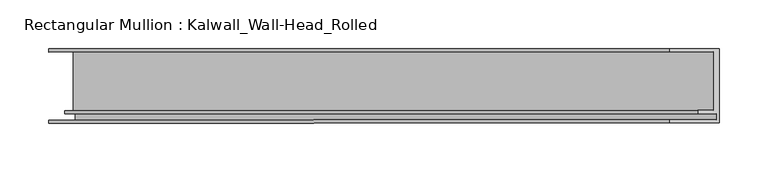
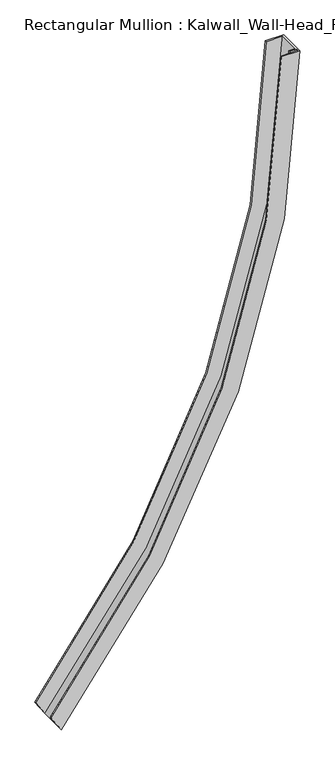
"""IFC4 building model written with IfcOpenShell, lengths in millimetres: member geometry, Rectangular Mullion : Kalwall_Wall-Head_Rolled."""

from ifc_helpers import new_model, si_unit, frame, origin, place, context, project, spatial, polyline, circle_curve, source, transform, mapped, element, save
from ifc_brep_helpers import plane_surface, cylinder_surface, revolved_surface, advanced_brep


def rectangular_mullion_kalwall_wall_head_rolled_0a313b5d(model_context):
    return source(origin(), model_context, "Body", "AdvancedBrep", [
        advanced_brep(
        [(-689.2581802, 38.0270489, -1712.8579224), (-50.8, 38.0270489, 0.0), (0.0, 38.0270489, 0.0), (-660.297372, 38.0270489, -1756.9589951), (-689.2581802, 34.8520489, -1712.8579224), (-50.8, 34.8520489, 0.0), (-663.9150963, 34.8520489, -1751.4499802), (-6.35, 34.8520489, 0.0), (-663.9150963, -25.4729511, -1751.4499802), (-6.35, -25.4729511, 0.0), (-672.9623434, -25.4729511, -1737.6729717), (-22.225, -25.4729511, 0.0), (-672.9623434, -28.6479511, -1737.6729717), (-22.225, -28.6479511, 0.0), (-662.1061509, -28.6479511, -1754.2046144), (-3.175, -28.6479511, 0.0), (-662.1061509, -34.9979511, -1754.2046144), (-3.175, -34.9979511, 0.0), (-689.2581802, -34.9979511, -1712.8579224), (-50.8, -34.9979511, 0.0), (-689.2581802, -38.1729511, -1712.8579224), (-50.8, -38.1729511, 0.0), (-660.297372, -38.1729511, -1756.9589951), (0.0, -38.1729511, 0.0)],
        [
            (0, 1, circle_curve(frame((-2667.6598146, 38.0270489, 0.0), z_axis=(0.0, -1.0, 0.0), x_axis=(1.0, 0.0, 0.0)), 2616.8598146)),
            (1, 2),
            (2, 3, circle_curve(frame((-2667.6598146, 38.0270489, 0.0), z_axis=(0.0, 1.0, 0.0), x_axis=(1.0, 0.0, 0.0)), 2667.6598146)),
            (3, 0),
            (4, 5, circle_curve(frame((-2667.6598146, 34.8520489, 0.0), z_axis=(0.0, -1.0, 0.0), x_axis=(1.0, 0.0, 0.0)), 2616.8598146)),
            (5, 1),
            (0, 4),
            (6, 7, circle_curve(frame((-2667.6598146, 34.8520489, 0.0), z_axis=(0.0, -1.0, 0.0), x_axis=(1.0, 0.0, 0.0)), 2661.3098146)),
            (7, 5),
            (4, 6),
            (8, 9, circle_curve(frame((-2667.6598146, -25.4729511, 0.0), z_axis=(0.0, -1.0, 0.0), x_axis=(1.0, 0.0, 0.0)), 2661.3098146)),
            (9, 7),
            (6, 8),
            (10, 11, circle_curve(frame((-2667.6598146, -25.4729511, 0.0), z_axis=(0.0, -1.0, 0.0), x_axis=(1.0, 0.0, 0.0)), 2645.4348146)),
            (11, 9),
            (8, 10),
            (12, 13, circle_curve(frame((-2667.6598146, -28.6479511, 0.0), z_axis=(0.0, -1.0, 0.0), x_axis=(1.0, 0.0, 0.0)), 2645.4348146)),
            (13, 11),
            (10, 12),
            (14, 15, circle_curve(frame((-2667.6598146, -28.6479511, 0.0), z_axis=(0.0, -1.0, 0.0), x_axis=(1.0, 0.0, 0.0)), 2664.4848146)),
            (15, 13),
            (12, 14),
            (16, 17, circle_curve(frame((-2667.6598146, -34.9979511, 0.0), z_axis=(0.0, -1.0, 0.0), x_axis=(1.0, 0.0, 0.0)), 2664.4848146)),
            (17, 15),
            (14, 16),
            (18, 19, circle_curve(frame((-2667.6598146, -34.9979511, 0.0), z_axis=(0.0, -1.0, 0.0), x_axis=(1.0, 0.0, 0.0)), 2616.8598146)),
            (19, 17),
            (16, 18),
            (20, 21, circle_curve(frame((-2667.6598146, -38.1729511, 0.0), z_axis=(0.0, -1.0, 0.0), x_axis=(1.0, 0.0, 0.0)), 2616.8598146)),
            (21, 19),
            (18, 20),
            (22, 23, circle_curve(frame((-2667.6598146, -38.1729511, 0.0), z_axis=(0.0, -1.0, 0.0), x_axis=(1.0, 0.0, 0.0)), 2667.6598146)),
            (23, 21),
            (20, 22),
            (2, 23),
            (22, 3),
        ],
        [
            plane_surface(frame((-2667.6598146, 38.0270489, 0.0), z_axis=(0.0, 1.0, 0.0), x_axis=(1.0, 0.0, 0.0))),
            revolved_surface(polyline([(-50.80000000000018, 38.0270489, 0.0), (-50.80000000000018, 34.8520489, 0.0)]), (-2667.6598146, 0.0, 0.0), (0.0, 1.0, 0.0)),
            plane_surface(frame((-2667.6598146, 34.8520489, 0.0), z_axis=(0.0, -1.0, 0.0), x_axis=(1.0, 0.0, 0.0))),
            revolved_surface(polyline([(-6.349999999999909, 34.8520489, 0.0), (-6.349999999999909, -25.4729511, 0.0)]), (-2667.6598146, 0.0, 0.0), (0.0, 1.0, 0.0)),
            plane_surface(frame((-2667.6598146, -25.4729511, 0.0), z_axis=(0.0, 1.0, 0.0), x_axis=(1.0, 0.0, 0.0))),
            revolved_surface(polyline([(-22.22499999999991, -25.4729511, 0.0), (-22.22499999999991, -28.6479511, 0.0)]), (-2667.6598146, 0.0, 0.0), (0.0, 1.0, 0.0)),
            plane_surface(frame((-2667.6598146, -28.6479511, 0.0), z_axis=(0.0, -1.0, 0.0), x_axis=(1.0, 0.0, 0.0))),
            revolved_surface(polyline([(-3.175000000000182, -28.6479511, 0.0), (-3.175000000000182, -34.9979511, 0.0)]), (-2667.6598146, 0.0, 0.0), (0.0, 1.0, 0.0)),
            plane_surface(frame((-2667.6598146, -34.9979511, 0.0), z_axis=(0.0, 1.0, 0.0), x_axis=(1.0, 0.0, 0.0))),
            revolved_surface(polyline([(-50.80000000000018, -34.9979511, 0.0), (-50.80000000000018, -38.1729511, 0.0)]), (-2667.6598146, 0.0, 0.0), (0.0, 1.0, 0.0)),
            plane_surface(frame((-2667.6598146, -38.1729511, 0.0), z_axis=(0.0, -1.0, 0.0), x_axis=(1.0, 0.0, 0.0))),
            cylinder_surface(frame((-2667.6598146, 0.0, 0.0), z_axis=(0.0, 1.0, 0.0), x_axis=(1.0, 0.0, 0.0)), 2667.6598146),
            plane_surface(frame((-304.8, 0.0, 0.0), z_axis=(0.0, 0.0, 1.0), x_axis=(0.0, 1.0, 0.0))),
            plane_surface(frame((-660.297372, -304.8, -1756.9589951), z_axis=(-0.8358785162770304, 0.0, -0.5489144797019937), x_axis=(-0.5489144797019937, 0.0, 0.8358785162770304))),
        ],
        [
            (0, [[1, 2, 3, 4]]),
            (1, [[5, 6, -1, 7]]),
            (2, [[8, 9, -5, 10]]),
            (3, [[11, 12, -8, 13]]),
            (4, [[14, 15, -11, 16]]),
            (5, [[17, 18, -14, 19]]),
            (6, [[20, 21, -17, 22]]),
            (7, [[23, 24, -20, 25]]),
            (8, [[26, 27, -23, 28]]),
            (9, [[29, 30, -26, 31]]),
            (10, [[32, 33, -29, 34]]),
            (11, [[-3, 35, -32, 36]]),
            (12, [[-2, -6, -9, -12, -15, -18, -21, -24, -27, -30, -33, -35]]),
            (13, [[-36, -34, -31, -28, -25, -22, -19, -16, -13, -10, -7, -4]]),
        ],
    ),
    ])


if __name__ == "__main__":
    model = new_model("IFC4")
    model_context = context("Model", 3, world=origin())
    ifc_project = project(units=[si_unit("LENGTHUNIT", "METRE", prefix="MILLI")], contexts=[model_context])
    site = spatial("IfcSite", under=ifc_project)
    building = spatial("IfcBuilding", under=site)
    placement = place(None, origin())
    rectangular_mullion_kalwall_wall_head_rolled_shape = rectangular_mullion_kalwall_wall_head_rolled_0a313b5d(model_context)
    element("IfcMember", 1, ObjectType="Rectangular Mullion : Kalwall_Wall-Head_Rolled", at=placement, inside=building, context=model_context, shape_type="MappedRepresentation", body=[
        mapped(rectangular_mullion_kalwall_wall_head_rolled_shape, transform((0.0, 0.0, 0.0), x_axis=(1.0, 0.0, 0.0), y_axis=(0.0, 1.0, 0.0), z_axis=(0.0, 0.0, 1.0))),
    ])
    save(model, "model.ifc")
